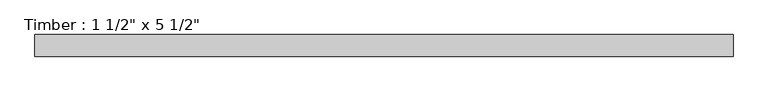
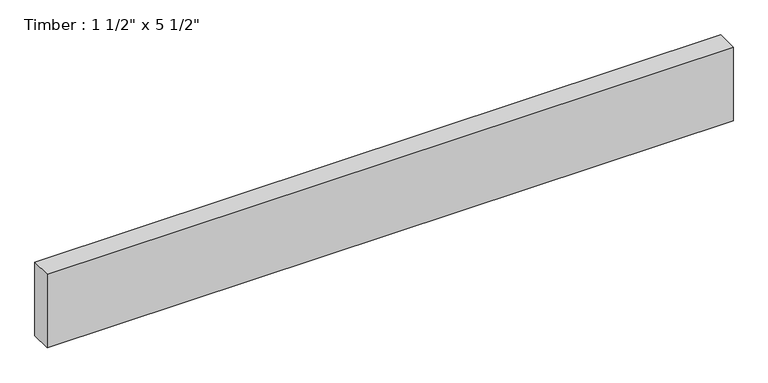
"""IFC4 building model written with IfcOpenShell, lengths in millimetres: beam geometry."""

from ifc_helpers import new_model, si_unit, frame, origin, place, context, project, spatial, polyline, outline, extrude, source, transform, mapped, element, save


def beam_0cb7670d(model_context):
    return source(origin(), model_context, "Body", "SweptSolid", [
        extrude(outline(polyline([(615.95, 19.05), (615.95, -19.05), (-615.95, -19.05), (-615.95, 19.05), (615.95, 19.05)])), frame((0.0, 0.0, -69.85), z_axis=(0.0, 0.0, 1.0), x_axis=(1.0, 0.0, 0.0)), (0.0, 0.0, 1.0), 139.7),
    ])


if __name__ == "__main__":
    model = new_model("IFC4")
    model_context = context("Model", 3, world=origin())
    ifc_project = project(units=[si_unit("LENGTHUNIT", "METRE", prefix="MILLI")], contexts=[model_context])
    site = spatial("IfcSite", under=ifc_project)
    building = spatial("IfcBuilding", under=site)
    placement = place(None, origin())
    beam_shape = beam_0cb7670d(model_context)
    element("IfcBeam", 1, ObjectType="Timber : 1 1/2\" x 5 1/2\"", at=placement, inside=building, context=model_context, shape_type="MappedRepresentation", body=[
        mapped(beam_shape, transform((0.0, 0.0, 0.0), x_axis=(1.0, 0.0, 0.0), y_axis=(0.0, 1.0, 0.0), z_axis=(0.0, 0.0, 1.0))),
    ])
    save(model, "model.ifc")
